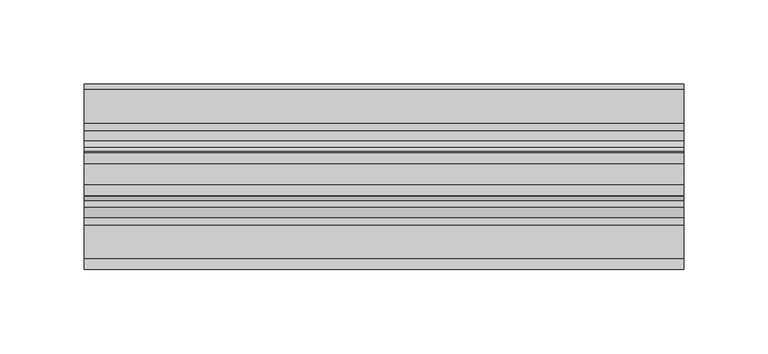
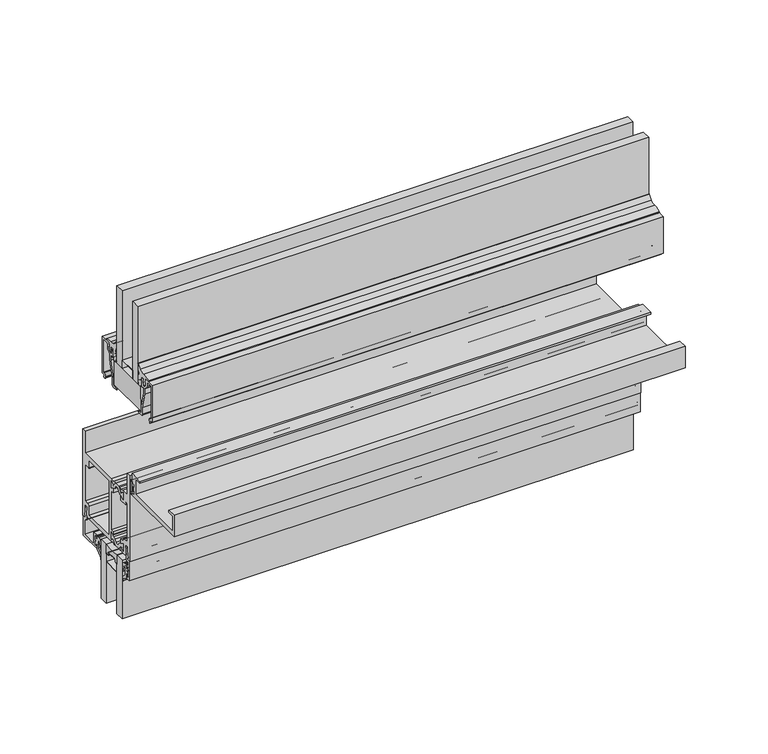
"""IFC4 building model written with IfcOpenShell, lengths in millimetres: plate geometry."""

from ifc_helpers import new_model, si_unit, point, frame, frame_2d, origin, place, context, project, spatial, polyline, circle_curve, trimmed, segment, composite_curve, outline, extrude, source, transform, mapped, element, save


def plate_2fd30b01(model_context):
    return source(origin(), model_context, "Body", "SweptSolid", [
        extrude(outline(composite_curve([segment(trimmed(circle_curve(frame_2d((-12.7, 252.348624)), 24.4943092), [point((-19.05, 228.6917289))], [point((-6.35, 228.6917289))], True, "CARTESIAN"), True, "CONTINUOUS"), segment(polyline([(-6.35, 228.6917289), (-6.35, 221.663957)]), True, "CONTINUOUS"), segment(trimmed(circle_curve(frame_2d((-7.14375, 221.663957)), 0.79375), [point((-6.35, 221.663957))], [point((-7.14375, 222.457707))], True, "CARTESIAN"), True, "CONTINUOUS"), segment(polyline([(-7.14375, 222.457707), (-8.3728775, 222.457707), (-8.3728775, 223.5556044)]), True, "CONTINUOUS"), segment(trimmed(circle_curve(frame_2d((-9.1666275, 223.5556044)), 0.79375), [point((-8.3728775, 223.5556044))], [point((-9.1666275, 224.3493544))], True, "CARTESIAN"), True, "CONTINUOUS"), segment(polyline([(-9.1666275, 224.3493544), (-16.2333725, 224.3493544)]), True, "CONTINUOUS"), segment(trimmed(circle_curve(frame_2d((-16.2333725, 223.5556044)), 0.79375), [point((-16.2333725, 224.3493544))], [point((-17.0271225, 223.5556044))], True, "CARTESIAN"), True, "CONTINUOUS"), segment(polyline([(-17.0271225, 223.5556044), (-17.0271225, 222.457707), (-18.25625, 222.457707)]), True, "CONTINUOUS"), segment(trimmed(circle_curve(frame_2d((-18.25625, 221.663957)), 0.79375), [point((-18.25625, 222.457707))], [point((-19.05, 221.663957))], True, "CARTESIAN"), True, "CONTINUOUS"), segment(polyline([(-19.05, 221.663957), (-19.05, 228.6917289)]), True, "CONTINUOUS")], self_intersect=False)), frame((-177.8, 0.0, 0.0), z_axis=(1.0, 0.0, 0.0), x_axis=(0.0, 1.0, 0.0)), (0.0, 0.0, 1.0), 355.6),
        extrude(outline(composite_curve([segment(trimmed(circle_curve(frame_2d((-23.1809622, 242.2374204)), 2.4892), [point((-24.4255622, 240.0817099))], [point((-23.5568194, 239.7767603))], True, "CARTESIAN"), True, "CONTINUOUS"), segment(trimmed(circle_curve(frame_2d((-23.9403472, 237.2658827)), 2.54), [point((-23.5568194, 239.7767603))], [point((-21.9860723, 238.8883529))], False, "CARTESIAN"), True, "CONTINUOUS"), segment(polyline([(-21.9860723, 238.8883529), (-20.6266866, 237.2509649)]), True, "CONTINUOUS"), segment(trimmed(circle_curve(frame_2d((-19.2977797, 238.3542447)), 1.7272), [point((-20.6266866, 237.2509649))], [point((-17.9688728, 237.2509649))], True, "CARTESIAN"), True, "CONTINUOUS"), segment(polyline([(-17.9688728, 237.2509649), (-16.6095134, 238.8883212)]), True, "CONTINUOUS"), segment(trimmed(circle_curve(frame_2d((-14.6552385, 237.2658509)), 2.54), [point((-16.6095134, 238.8883212))], [point((-15.0387663, 239.7767285))], False, "CARTESIAN"), True, "CONTINUOUS"), segment(trimmed(circle_curve(frame_2d((-15.4146236, 242.2373886)), 2.4892), [point((-15.0387663, 239.7767285))], [point((-14.1700236, 240.0816782))], True, "CARTESIAN"), True, "CONTINUOUS"), segment(polyline([(-14.1700236, 240.0816782), (-11.9953005, 241.3372551), (-11.9953005, 236.2412063), (-14.9359681, 237.8773974), (-17.566093, 234.7093966), (-21.029508, 234.7093966), (-23.6808354, 237.9029359), (-26.6003005, 235.8587044), (-26.6003005, 241.3372957), (-24.4255622, 240.0817099)]), True, "CONTINUOUS")], self_intersect=False)), frame((-177.8, 0.0, 0.0), z_axis=(1.0, 0.0, 0.0), x_axis=(0.0, 1.0, 0.0)), (0.0, 0.0, 1.0), 355.6),
        extrude(outline(composite_curve([segment(polyline([(-24.4255622, 275.1819988), (-26.6003005, 273.926413), (-26.6003005, 279.4050043), (-23.6808354, 277.3607728), (-21.029508, 280.5543121), (-17.566093, 280.5543121), (-14.9359681, 277.3863113), (-11.9953005, 279.0225024), (-11.9953005, 273.9264536), (-14.1700236, 275.1820305)]), True, "CONTINUOUS"), segment(trimmed(circle_curve(frame_2d((-15.4146236, 273.0263201)), 2.4892), [point((-14.1700236, 275.1820305))], [point((-15.0387663, 275.4869802))], True, "CARTESIAN"), True, "CONTINUOUS"), segment(trimmed(circle_curve(frame_2d((-14.6552385, 277.9978578)), 2.54), [point((-15.0387663, 275.4869802))], [point((-16.6095134, 276.3753875))], False, "CARTESIAN"), True, "CONTINUOUS"), segment(polyline([(-16.6095134, 276.3753875), (-17.9688728, 278.0127438)]), True, "CONTINUOUS"), segment(trimmed(circle_curve(frame_2d((-19.2977797, 276.909464)), 1.7272), [point((-17.9688728, 278.0127438))], [point((-20.6266866, 278.0127438))], True, "CARTESIAN"), True, "CONTINUOUS"), segment(polyline([(-20.6266866, 278.0127438), (-21.9860723, 276.3753558)]), True, "CONTINUOUS"), segment(trimmed(circle_curve(frame_2d((-23.9403472, 277.997826)), 2.54), [point((-21.9860723, 276.3753558))], [point((-23.5568194, 275.4869484))], False, "CARTESIAN"), True, "CONTINUOUS"), segment(trimmed(circle_curve(frame_2d((-23.1809622, 273.0262883)), 2.4892), [point((-23.5568194, 275.4869484))], [point((-24.4255622, 275.1819988))], True, "CARTESIAN"), True, "CONTINUOUS")], self_intersect=False)), frame((-177.8, 0.0, 0.0), z_axis=(1.0, 0.0, 0.0), x_axis=(0.0, 1.0, 0.0)), (0.0, 0.0, 1.0), 355.6),
        extrude(outline(polyline([(-15.7276799, 352.0722153), (-47.5894399, 352.0722153), (-47.4776799, 369.5347153), (-15.7276799, 369.5347153), (-15.7276799, 352.0722153)])), frame((-177.8, 0.0, 0.0), z_axis=(1.0, 0.0, 0.0), x_axis=(0.0, 1.0, 0.0)), (0.0, 0.0, 1.0), 355.6),
        extrude(outline(composite_curve([segment(polyline([(-34.9514484, 293.1066499), (-34.9514484, 285.1817967)]), True, "CONTINUOUS"), segment(trimmed(circle_curve(frame_2d((-36.1452484, 285.1817967)), 1.1938), [point((-34.9514484, 285.1817967))], [point((-37.3390484, 285.1817967))], False, "CARTESIAN"), True, "CONTINUOUS"), segment(polyline([(-37.3390484, 285.1817967), (-37.3390484, 287.1879153), (-38.31675, 287.1879153), (-38.31675, 285.7147153), (-39.2186484, 285.7147153), (-39.2186484, 287.5689153), (-37.7962484, 287.5689153), (-37.7962484, 290.7185153), (-39.2186484, 290.7185153), (-39.2186484, 292.5727153), (-38.31675, 292.5727153), (-38.31675, 291.0995153), (-37.3390484, 291.0995153), (-37.3390484, 293.1066499)]), True, "CONTINUOUS"), segment(trimmed(circle_curve(frame_2d((-36.1452484, 293.1066499)), 1.1938), [point((-37.3390484, 293.1066499))], [point((-34.9514484, 293.1066499))], False, "CARTESIAN"), True, "CONTINUOUS")], self_intersect=False), holes=[composite_curve([segment(trimmed(circle_curve(frame_2d((-36.1452484, 293.1066499)), 0.6858), [point((-35.4594484, 293.1066499))], [point((-36.8310484, 293.1066499))], True, "CARTESIAN"), True, "CONTINUOUS"), segment(polyline([(-36.8310484, 293.1066499), (-36.8310484, 285.1817967)]), True, "CONTINUOUS"), segment(trimmed(circle_curve(frame_2d((-36.1452484, 285.1817967)), 0.6858), [point((-36.8310484, 285.1817967))], [point((-35.4594484, 285.1817967))], True, "CARTESIAN"), True, "CONTINUOUS"), segment(polyline([(-35.4594484, 285.1817967), (-35.4594484, 293.1066499)]), True, "CONTINUOUS")], self_intersect=False)]), frame((-177.8, 0.0, 0.0), z_axis=(1.0, 0.0, 0.0), x_axis=(0.0, 1.0, 0.0)), (0.0, 0.0, 1.0), 355.6),
        extrude(outline(polyline([(-37.9526799, 375.8847153), (-25.2526799, 375.8847153), (-25.2526799, 369.5347153), (-37.9526799, 369.5347153), (-37.9526799, 375.8847153)]), holes=[polyline([(-37.7314801, 375.6717755), (-37.7314801, 369.6999055), (-25.4526847, 369.6999055), (-25.4526847, 375.6717755), (-37.7314801, 375.6717755)])]), frame((-177.8, 0.0, 0.0), z_axis=(1.0, 0.0, 0.0), x_axis=(0.0, 1.0, 0.0)), (0.0, 0.0, 1.0), 355.6),
        extrude(outline(polyline([(-177.8, -25.2526799), (-177.8, -18.9026799), (177.8, -18.9026799), (177.8, -25.2526799), (-177.8, -25.2526799)])), frame((0.0, 0.0, 369.5347153), z_axis=(0.0, 0.0, 1.0), x_axis=(1.0, 0.0, 0.0)), (0.0, 0.0, 1.0), 57.15),
        extrude(outline(polyline([(-177.8, -44.3026799), (-177.8, -37.9526799), (177.8, -37.9526799), (177.8, -44.3026799), (-177.8, -44.3026799)])), frame((0.0, 0.0, 369.5347153), z_axis=(0.0, 0.0, 1.0), x_axis=(1.0, 0.0, 0.0)), (0.0, 0.0, 1.0), 57.15),
        extrude(outline(composite_curve([segment(trimmed(circle_curve(frame_2d((-13.6651999, 376.8225309)), 0.508), [point((-14.1731999, 376.8225309))], [point((-13.6651999, 377.3305309))], False, "CARTESIAN"), True, "CONTINUOUS"), segment(polyline([(-13.6651999, 377.3305309), (-12.4205999, 377.3305309), (-12.4205999, 376.5177309), (-13.2068092, 376.5177309), (-13.2068092, 375.7170136), (-12.4992779, 372.4938153), (-11.0235999, 372.4938153), (-9.1439999, 374.3663756), (-9.1439999, 376.4562153), (-10.0569374, 376.4562153), (-9.1417677, 379.0597153), (-1.4731999, 379.0597153), (-1.4731999, 352.0737406), (-3.9823329, 352.0737406), (-3.1851555, 350.6967979), (-3.8661393, 350.0158142)]), True, "CONTINUOUS"), segment(trimmed(circle_curve(frame_2d((-4.2232428, 350.3771189)), 0.508), [point((-3.8661393, 350.0158142))], [point((-4.7005125, 350.2031143))], False, "CARTESIAN"), True, "CONTINUOUS"), segment(polyline([(-4.7005125, 350.2031143), (-5.136331, 351.3985022)]), True, "CONTINUOUS"), segment(trimmed(circle_curve(frame_2d((-3.7761123, 351.8944153)), 1.4478), [point((-5.136331, 351.3985022))], [point((-3.7761123, 353.3422153))], False, "CARTESIAN"), True, "CONTINUOUS"), segment(polyline([(-3.7761123, 353.3422153), (-2.7431999, 353.3422153), (-2.7431999, 377.7897153), (-7.2389999, 377.7897153)]), True, "CONTINUOUS"), segment(trimmed(circle_curve(frame_2d((-7.2389999, 377.1547153)), 0.635), [point((-7.2389999, 377.7897153))], [point((-7.8739999, 377.1547153))], True, "CARTESIAN"), True, "CONTINUOUS"), segment(polyline([(-7.8739999, 377.1547153), (-7.8739999, 374.6354421)]), True, "CONTINUOUS"), segment(trimmed(circle_curve(frame_2d((-9.7789999, 374.6354421)), 1.905), [point((-7.8739999, 374.6354421))], [point((-8.4319614, 373.2884037))], False, "CARTESIAN"), True, "CONTINUOUS"), segment(polyline([(-8.4319614, 373.2884037), (-10.3632634, 371.3571018), (-10.3632634, 367.2949535), (-13.5573134, 355.5538035), (-13.5573134, 350.8784153)]), True, "CONTINUOUS"), segment(trimmed(circle_curve(frame_2d((-14.8273134, 350.8784153)), 1.27), [point((-13.5573134, 350.8784153))], [point((-14.8273134, 349.6084153))], False, "CARTESIAN"), True, "CONTINUOUS"), segment(polyline([(-14.8273134, 349.6084153), (-17.9959634, 349.6084153)]), True, "CONTINUOUS"), segment(trimmed(circle_curve(frame_2d((-17.9959634, 349.9894153)), 0.381), [point((-17.9959634, 349.6084153))], [point((-18.1152217, 350.3512695))], False, "CARTESIAN"), True, "CONTINUOUS"), segment(polyline([(-18.1152217, 350.3512695), (-14.8273134, 351.2340153), (-14.8273134, 355.7234653), (-11.6332634, 367.4646153), (-11.6332634, 371.4754927), (-13.2079999, 371.4754927), (-13.2079999, 370.6650153)]), True, "CONTINUOUS"), segment(trimmed(circle_curve(frame_2d((-13.2079999, 371.6302153)), 0.9652), [point((-13.2079999, 370.6650153))], [point((-14.1731999, 371.6302153))], False, "CARTESIAN"), True, "CONTINUOUS"), segment(polyline([(-14.1731999, 371.6302153), (-14.1731999, 376.8225309)]), True, "CONTINUOUS")], self_intersect=False)), frame((-177.8, 0.0, 0.0), z_axis=(1.0, 0.0, 0.0), x_axis=(0.0, 1.0, 0.0)), (0.0, 0.0, 1.0), 355.6),
        extrude(outline(composite_curve([segment(polyline([(-49.0321599, 376.8225309), (-49.0321599, 371.6302153)]), True, "CONTINUOUS"), segment(trimmed(circle_curve(frame_2d((-49.9973599, 371.6302153)), 0.9652), [point((-49.0321599, 371.6302153))], [point((-49.9973599, 370.6650153))], False, "CARTESIAN"), True, "CONTINUOUS"), segment(polyline([(-49.9973599, 370.6650153), (-49.9973599, 371.4754927), (-51.5720964, 371.4754927), (-51.5720964, 367.4646153), (-48.3780464, 355.7234653), (-48.3780464, 351.2340153), (-45.090138, 350.3512695)]), True, "CONTINUOUS"), segment(trimmed(circle_curve(frame_2d((-45.2093964, 349.9894153)), 0.381), [point((-45.090138, 350.3512695))], [point((-45.2093964, 349.6084153))], False, "CARTESIAN"), True, "CONTINUOUS"), segment(polyline([(-45.2093964, 349.6084153), (-48.3780464, 349.6084153)]), True, "CONTINUOUS"), segment(trimmed(circle_curve(frame_2d((-48.3780464, 350.8784153)), 1.27), [point((-48.3780464, 349.6084153))], [point((-49.6480464, 350.8784153))], False, "CARTESIAN"), True, "CONTINUOUS"), segment(polyline([(-49.6480464, 350.8784153), (-49.6480464, 355.5538035), (-52.8420964, 367.2949535), (-52.8420964, 371.3571018), (-54.7733983, 373.2884037)]), True, "CONTINUOUS"), segment(trimmed(circle_curve(frame_2d((-53.4263599, 374.6354421)), 1.905), [point((-54.7733983, 373.2884037))], [point((-55.3313599, 374.6354421))], False, "CARTESIAN"), True, "CONTINUOUS"), segment(polyline([(-55.3313599, 374.6354421), (-55.3313599, 377.1547153)]), True, "CONTINUOUS"), segment(trimmed(circle_curve(frame_2d((-55.9663599, 377.1547153)), 0.635), [point((-55.3313599, 377.1547153))], [point((-55.9663599, 377.7897153))], True, "CARTESIAN"), True, "CONTINUOUS"), segment(polyline([(-55.9663599, 377.7897153), (-60.4621599, 377.7897153), (-60.4621599, 353.3422153), (-59.4292474, 353.3422153)]), True, "CONTINUOUS"), segment(trimmed(circle_curve(frame_2d((-59.4292474, 351.8944153)), 1.4478), [point((-59.4292474, 353.3422153))], [point((-58.0690287, 351.3985022))], False, "CARTESIAN"), True, "CONTINUOUS"), segment(polyline([(-58.0690287, 351.3985022), (-58.5048472, 350.2031143)]), True, "CONTINUOUS"), segment(trimmed(circle_curve(frame_2d((-58.982117, 350.3771189)), 0.508), [point((-58.5048472, 350.2031143))], [point((-59.3392204, 350.0158142))], False, "CARTESIAN"), True, "CONTINUOUS"), segment(polyline([(-59.3392204, 350.0158142), (-60.0202042, 350.6967979), (-59.2230268, 352.0737406), (-61.7321599, 352.0737406), (-61.7321599, 379.0597153), (-54.063592, 379.0597153), (-53.1484223, 376.4562153), (-54.0613599, 376.4562153), (-54.0613599, 374.3663756), (-52.1817599, 372.4938153), (-50.7060818, 372.4938153), (-49.9985505, 375.7170136), (-49.9985505, 376.5177309), (-50.7847599, 376.5177309), (-50.7847599, 377.3305309), (-49.5401599, 377.3305309)]), True, "CONTINUOUS"), segment(trimmed(circle_curve(frame_2d((-49.5401599, 376.8225309)), 0.508), [point((-49.5401599, 377.3305309))], [point((-49.0321599, 376.8225309))], False, "CARTESIAN"), True, "CONTINUOUS")], self_intersect=False)), frame((-177.8, 0.0, 0.0), z_axis=(1.0, 0.0, 0.0), x_axis=(0.0, 1.0, 0.0)), (0.0, 0.0, 1.0), 355.6),
        extrude(outline(composite_curve([segment(trimmed(circle_curve(frame_2d((-28.4481661, 374.5867579)), 11.8511576), [point((-16.8958445, 377.2313378))], [point((-17.4519801, 379.0064672))], True, "CARTESIAN"), True, "CONTINUOUS"), segment(polyline([(-17.4519801, 379.0064672), (-18.4299611, 380.528582)]), True, "CONTINUOUS"), segment(trimmed(circle_curve(frame_2d((-16.8225569, 381.7608857)), 2.0254186), [point((-18.4299611, 380.528582))], [point((-18.8453216, 381.6572349))], False, "CARTESIAN"), True, "CONTINUOUS"), segment(polyline([(-18.8453216, 381.6572349), (-18.8854469, 384.9398531)]), True, "CONTINUOUS"), segment(trimmed(circle_curve(frame_2d((-18.4885719, 384.9398531)), 0.396875), [point((-18.8854469, 384.9398531))], [point((-18.2267159, 385.2380832))], False, "CARTESIAN"), True, "CONTINUOUS"), segment(polyline([(-18.2267159, 385.2380832), (-15.799611, 382.4201915)]), True, "CONTINUOUS"), segment(trimmed(circle_curve(frame_2d((-12.5240284, 385.8820309)), 4.765897), [point((-15.799611, 382.4201915))], [point((-11.8985378, 381.1573579))], True, "CARTESIAN"), True, "CONTINUOUS"), segment(trimmed(circle_curve(frame_2d((-11.5246073, 368.9668204)), 12.196271), [point((-11.8985378, 381.1573579))], [point((-6.0059562, 379.8431028))], False, "CARTESIAN"), True, "CONTINUOUS"), segment(polyline([(-6.0059562, 379.8431028), (-5.7496564, 379.0554604), (-7.6687501, 379.1311821), (-9.2931528, 379.0012681), (-10.1545373, 376.2948547), (-9.3686823, 376.1701754), (-10.2392565, 375.1755258), (-9.4887146, 374.9366468), (-10.9893863, 373.1755062), (-12.6224939, 374.6122187), (-11.8406254, 375.1533533), (-12.6690337, 376.0998275), (-11.6936669, 376.2217125), (-12.2509631, 377.5835919), (-14.1139708, 377.5835919), (-14.1139708, 375.1527405)]), True, "CONTINUOUS"), segment(trimmed(circle_curve(frame_2d((-31.5769474, 376.4603355)), 17.5118633), [point((-14.1139708, 375.1527405))], [point((-15.1612753, 370.3618876))], False, "CARTESIAN"), True, "CONTINUOUS"), segment(trimmed(circle_curve(frame_2d((-16.4644062, 370.8573418)), 1.3941395), [point((-15.1612753, 370.3618876))], [point((-17.7675371, 370.3618876))], False, "CARTESIAN"), True, "CONTINUOUS"), segment(trimmed(circle_curve(frame_2d((0.2712904, 376.9366907)), 19.1996701), [point((-17.7675371, 370.3618876))], [point((-18.8453216, 375.1527405))], False, "CARTESIAN"), True, "CONTINUOUS"), segment(polyline([(-18.8453216, 375.1527405), (-18.8453216, 378.5625793)]), True, "CONTINUOUS"), segment(trimmed(circle_curve(frame_2d((-18.5228363, 378.5509624)), 0.3226944), [point((-18.8453216, 378.5625793))], [point((-18.2140666, 378.4571917))], False, "CARTESIAN"), True, "CONTINUOUS"), segment(polyline([(-18.2140666, 378.4571917), (-17.1362265, 374.4176171)]), True, "CONTINUOUS"), segment(trimmed(circle_curve(frame_2d((-16.8421637, 374.5499125)), 0.3224516), [point((-17.1362265, 374.4176171))], [point((-16.5228912, 374.5950802))], True, "CARTESIAN"), True, "CONTINUOUS"), segment(polyline([(-16.5228912, 374.5950802), (-16.8958445, 377.2313378)]), True, "CONTINUOUS")], self_intersect=False)), frame((-177.8, 0.0, 0.0), z_axis=(1.0, 0.0, 0.0), x_axis=(0.0, 1.0, 0.0)), (0.0, 0.0, 1.0), 355.6),
        extrude(outline(composite_curve([segment(polyline([(-46.2824971, 377.2313378), (-46.6554504, 374.5950802)]), True, "CONTINUOUS"), segment(trimmed(circle_curve(frame_2d((-46.3361779, 374.5499125)), 0.3224516), [point((-46.6554504, 374.5950802))], [point((-46.042115, 374.4176171))], True, "CARTESIAN"), True, "CONTINUOUS"), segment(polyline([(-46.042115, 374.4176171), (-44.964275, 378.4571917)]), True, "CONTINUOUS"), segment(trimmed(circle_curve(frame_2d((-44.6555052, 378.5509624)), 0.3226944), [point((-44.964275, 378.4571917))], [point((-44.33302, 378.5625793))], False, "CARTESIAN"), True, "CONTINUOUS"), segment(polyline([(-44.33302, 378.5625793), (-44.33302, 375.1527405)]), True, "CONTINUOUS"), segment(trimmed(circle_curve(frame_2d((-63.4496319, 376.9366907)), 19.1996701), [point((-44.33302, 375.1527405))], [point((-45.4108045, 370.3618876))], False, "CARTESIAN"), True, "CONTINUOUS"), segment(trimmed(circle_curve(frame_2d((-46.7139354, 370.8573418)), 1.3941395), [point((-45.4108045, 370.3618876))], [point((-48.0170662, 370.3618876))], False, "CARTESIAN"), True, "CONTINUOUS"), segment(trimmed(circle_curve(frame_2d((-31.6013942, 376.4603355)), 17.5118633), [point((-48.0170662, 370.3618876))], [point((-49.0643708, 375.1527405))], False, "CARTESIAN"), True, "CONTINUOUS"), segment(polyline([(-49.0643708, 375.1527405), (-49.0643708, 377.5835919), (-50.9273784, 377.5835919), (-51.4846746, 376.2217125), (-50.5093079, 376.0998275), (-51.3377162, 375.1533533), (-50.5558476, 374.6122187), (-52.1889552, 373.1755062), (-53.689627, 374.9366468), (-52.939085, 375.1755258), (-53.8096592, 376.1701754), (-53.0238043, 376.2948547), (-53.8851888, 379.0012681), (-55.5095914, 379.1311821), (-57.4286851, 379.0554604), (-57.1723854, 379.8431028)]), True, "CONTINUOUS"), segment(trimmed(circle_curve(frame_2d((-51.6537343, 368.9668204)), 12.196271), [point((-57.1723854, 379.8431028))], [point((-51.2798038, 381.1573579))], False, "CARTESIAN"), True, "CONTINUOUS"), segment(trimmed(circle_curve(frame_2d((-50.6543132, 385.8820309)), 4.765897), [point((-51.2798038, 381.1573579))], [point((-47.3787305, 382.4201915))], True, "CARTESIAN"), True, "CONTINUOUS"), segment(polyline([(-47.3787305, 382.4201915), (-44.9516257, 385.2380832)]), True, "CONTINUOUS"), segment(trimmed(circle_curve(frame_2d((-44.6897696, 384.9398531)), 0.396875), [point((-44.9516257, 385.2380832))], [point((-44.2928946, 384.9398531))], False, "CARTESIAN"), True, "CONTINUOUS"), segment(polyline([(-44.2928946, 384.9398531), (-44.33302, 381.6572349)]), True, "CONTINUOUS"), segment(trimmed(circle_curve(frame_2d((-46.3557847, 381.7608857)), 2.0254186), [point((-44.33302, 381.6572349))], [point((-44.7483805, 380.528582))], False, "CARTESIAN"), True, "CONTINUOUS"), segment(polyline([(-44.7483805, 380.528582), (-45.7263615, 379.0064672)]), True, "CONTINUOUS"), segment(trimmed(circle_curve(frame_2d((-34.7301755, 374.5867579)), 11.8511576), [point((-45.7263615, 379.0064672))], [point((-46.2824971, 377.2313378))], True, "CARTESIAN"), True, "CONTINUOUS")], self_intersect=False)), frame((-177.8, 0.0, 0.0), z_axis=(1.0, 0.0, 0.0), x_axis=(0.0, 1.0, 0.0)), (0.0, 0.0, 1.0), 355.6),
        extrude(outline(polyline([(-15.7276799, 369.5347153), (-15.7276799, 352.0722153), (-47.5894399, 352.0722153), (-47.4776799, 369.5347153), (-15.7276799, 369.5347153)])), frame((-177.8, 0.0, 0.0), z_axis=(1.0, 0.0, 0.0), x_axis=(0.0, 1.0, 0.0)), (0.0, 0.0, 1.0), 355.6),
        extrude(outline(polyline([(-177.8, -6.35), (-177.8, 0.0), (177.8, 0.0), (177.8, -6.35), (-177.8, -6.35)])), frame((0.0, 0.0, 185.3847153), z_axis=(0.0, 0.0, 1.0), x_axis=(1.0, 0.0, 0.0)), (0.0, 0.0, 1.0), 43.3070136),
        extrude(outline(polyline([(-177.8, -25.4), (-177.8, -19.05), (177.8, -19.05), (177.8, -25.4), (-177.8, -25.4)])), frame((0.0, 0.0, 185.3847153), z_axis=(0.0, 0.0, 1.0), x_axis=(1.0, 0.0, 0.0)), (0.0, 0.0, 1.0), 43.3070136),
        extrude(outline(composite_curve([segment(polyline([(1.2146236, 217.7547881), (3.6195019, 220.0298082), (3.6195019, 223.3964394)]), True, "CONTINUOUS"), segment(trimmed(circle_curve(frame_2d((3.9370017, 223.7514153)), 0.47625), [point((3.6195019, 223.3964394))], [point((3.619501, 224.1063905))], True, "CARTESIAN"), True, "CONTINUOUS"), segment(polyline([(3.619501, 224.1063905), (3.619501, 225.6894264)]), True, "CONTINUOUS"), segment(trimmed(circle_curve(frame_2d((3.1116463, 224.2840488)), 1.4943235), [point((3.619501, 225.6894264))], [point((1.6174209, 224.301171))], True, "CARTESIAN"), True, "CONTINUOUS"), segment(polyline([(1.6174209, 224.301171), (0.5798898, 220.9663861)]), True, "CONTINUOUS"), segment(trimmed(circle_curve(frame_2d((0.2963183, 221.0546119)), 0.2969791), [point((0.5798898, 220.9663861))], [point((0.0, 221.0348119))], False, "CARTESIAN"), True, "CONTINUOUS"), segment(polyline([(0.0, 221.0348119), (0.0, 225.0824819)]), True, "CONTINUOUS"), segment(trimmed(circle_curve(frame_2d((2.8819649, 225.2349635)), 2.8859959), [point((0.0, 225.0824819))], [point((2.7993723, 228.1197774))], False, "CARTESIAN"), True, "CONTINUOUS"), segment(polyline([(2.7993723, 228.1197774), (3.619501, 228.1432578), (4.7625003, 228.1432578), (4.7625003, 225.2246164), (6.1341013, 225.2246164), (6.1341013, 226.5374454)]), True, "CONTINUOUS"), segment(trimmed(circle_curve(frame_2d((6.4896997, 226.8248149)), 0.4571996), [point((6.1341013, 226.5374454))], [point((6.9468994, 226.8248149))], False, "CARTESIAN"), True, "CONTINUOUS"), segment(polyline([(6.9468994, 226.8248149), (6.9468994, 224.7570221)]), True, "CONTINUOUS"), segment(trimmed(circle_curve(frame_2d((6.4706494, 224.7065795)), 0.4789139), [point((6.9468994, 224.7570221))], [point((6.4706494, 224.2276656))], False, "CARTESIAN"), True, "CONTINUOUS"), segment(trimmed(circle_curve(frame_2d((6.4706494, 223.7514156)), 0.47625), [point((6.4706494, 224.2276656))], [point((6.4706494, 223.2751656))], True, "CARTESIAN"), True, "CONTINUOUS"), segment(trimmed(circle_curve(frame_2d((6.3248962, 222.6704806)), 0.6220032), [point((6.4706494, 223.2751656))], [point((6.9468994, 222.6704806))], False, "CARTESIAN"), True, "CONTINUOUS"), segment(polyline([(6.9468994, 222.6704806), (6.9468994, 220.6780162)]), True, "CONTINUOUS"), segment(trimmed(circle_curve(frame_2d((6.4896997, 220.6780162)), 0.4571996), [point((6.9468994, 220.6780162))], [point((6.134102, 220.9653866))], False, "CARTESIAN"), True, "CONTINUOUS"), segment(polyline([(6.134102, 220.9653866), (6.134102, 222.2782299), (4.7625003, 222.2782299), (4.7625003, 218.4065425), (1.4889495, 215.9053304)]), True, "CONTINUOUS"), segment(trimmed(circle_curve(frame_2d((3.0879023, 213.93243)), 2.5394854), [point((1.4889495, 215.9053304))], [point((0.5496136, 213.8544755))], True, "CARTESIAN"), True, "CONTINUOUS"), segment(trimmed(circle_curve(frame_2d((0.2748716, 213.8460377)), 0.2748716), [point((0.5496136, 213.8544755))], [point((0.0, 213.8460377))], False, "CARTESIAN"), True, "CONTINUOUS"), segment(polyline([(0.0, 213.8460377), (0.0, 215.5592614)]), True, "CONTINUOUS"), segment(trimmed(circle_curve(frame_2d((3.0412561, 215.3105023)), 3.0514128), [point((0.0, 215.5592614))], [point((1.2146236, 217.7547881))], False, "CARTESIAN"), True, "CONTINUOUS")], self_intersect=False)), frame((-177.8, 0.0, 0.0), z_axis=(1.0, 0.0, 0.0), x_axis=(0.0, 1.0, 0.0)), (0.0, 0.0, 1.0), 355.6),
        extrude(outline(composite_curve([segment(trimmed(circle_curve(frame_2d((-28.4412561, 215.3105023)), 3.0514128), [point((-26.6146236, 217.7547881))], [point((-25.4, 215.5592614))], False, "CARTESIAN"), True, "CONTINUOUS"), segment(polyline([(-25.4, 215.5592614), (-25.4, 213.8460377)]), True, "CONTINUOUS"), segment(trimmed(circle_curve(frame_2d((-25.6748716, 213.8460377)), 0.2748716), [point((-25.4, 213.8460377))], [point((-25.9496136, 213.8544755))], False, "CARTESIAN"), True, "CONTINUOUS"), segment(trimmed(circle_curve(frame_2d((-28.4879023, 213.93243)), 2.5394854), [point((-25.9496136, 213.8544755))], [point((-26.8889495, 215.9053304))], True, "CARTESIAN"), True, "CONTINUOUS"), segment(polyline([(-26.8889495, 215.9053304), (-30.1625003, 218.4065425), (-30.1625003, 222.2782299), (-31.534102, 222.2782299), (-31.534102, 220.9653866)]), True, "CONTINUOUS"), segment(trimmed(circle_curve(frame_2d((-31.8896997, 220.6780162)), 0.4571996), [point((-31.534102, 220.9653866))], [point((-32.3468994, 220.6780162))], False, "CARTESIAN"), True, "CONTINUOUS"), segment(polyline([(-32.3468994, 220.6780162), (-32.3468994, 222.6704806)]), True, "CONTINUOUS"), segment(trimmed(circle_curve(frame_2d((-31.7248962, 222.6704806)), 0.6220032), [point((-32.3468994, 222.6704806))], [point((-31.8706494, 223.2751656))], False, "CARTESIAN"), True, "CONTINUOUS"), segment(trimmed(circle_curve(frame_2d((-31.8706494, 223.7514156)), 0.47625), [point((-31.8706494, 223.2751656))], [point((-31.8706494, 224.2276656))], True, "CARTESIAN"), True, "CONTINUOUS"), segment(trimmed(circle_curve(frame_2d((-31.8706494, 224.7065795)), 0.4789139), [point((-31.8706494, 224.2276656))], [point((-32.3468994, 224.7570221))], False, "CARTESIAN"), True, "CONTINUOUS"), segment(polyline([(-32.3468994, 224.7570221), (-32.3468994, 226.8248149)]), True, "CONTINUOUS"), segment(trimmed(circle_curve(frame_2d((-31.8896997, 226.8248149)), 0.4571996), [point((-32.3468994, 226.8248149))], [point((-31.5341013, 226.5374454))], False, "CARTESIAN"), True, "CONTINUOUS"), segment(polyline([(-31.5341013, 226.5374454), (-31.5341013, 225.2246164), (-30.1625, 225.2246164), (-30.1625, 228.1432578), (-29.019501, 228.1432578), (-28.1993723, 228.1197774)]), True, "CONTINUOUS"), segment(trimmed(circle_curve(frame_2d((-28.2819649, 225.2349635)), 2.8859959), [point((-28.1993723, 228.1197774))], [point((-25.4, 225.0824819))], False, "CARTESIAN"), True, "CONTINUOUS"), segment(polyline([(-25.4, 225.0824819), (-25.4, 221.0348119)]), True, "CONTINUOUS"), segment(trimmed(circle_curve(frame_2d((-25.6963183, 221.0546119)), 0.2969791), [point((-25.4, 221.0348119))], [point((-25.9798898, 220.9663861))], False, "CARTESIAN"), True, "CONTINUOUS"), segment(polyline([(-25.9798898, 220.9663861), (-27.0174209, 224.301171)]), True, "CONTINUOUS"), segment(trimmed(circle_curve(frame_2d((-28.5116463, 224.2840488)), 1.4943235), [point((-27.0174209, 224.301171))], [point((-29.019501, 225.6894264))], True, "CARTESIAN"), True, "CONTINUOUS"), segment(polyline([(-29.019501, 225.6894264), (-29.019501, 224.1063905)]), True, "CONTINUOUS"), segment(trimmed(circle_curve(frame_2d((-29.3370017, 223.7514153)), 0.47625), [point((-29.019501, 224.1063905))], [point((-29.0195019, 223.3964394))], True, "CARTESIAN"), True, "CONTINUOUS"), segment(polyline([(-29.0195019, 223.3964394), (-29.0195019, 220.0298082), (-26.6146236, 217.7547881)]), True, "CONTINUOUS")], self_intersect=False)), frame((-177.8, 0.0, 0.0), z_axis=(1.0, 0.0, 0.0), x_axis=(0.0, 1.0, 0.0)), (0.0, 0.0, 1.0), 355.6),
        extrude(outline(composite_curve([segment(trimmed(circle_curve(frame_2d((19.0500001, 234.7414348)), 1.4732), [point((17.5768001, 234.7414348))], [point((18.2080195, 235.9503131))], False, "CARTESIAN"), True, "CONTINUOUS"), segment(polyline([(18.2080195, 235.9503131), (17.0960031, 242.0744148), (18.4105948, 242.0744148), (19.7607074, 234.6405968), (18.9879884, 234.7500377), (18.9879884, 233.0353133), (21.4376001, 232.9050148), (21.4376001, 218.6302148), (4.9022001, 218.6302148), (4.7752001, 220.6622148)]), True, "CONTINUOUS"), segment(trimmed(circle_curve(frame_2d((5.5881395, 220.6621578)), 0.8129393), [point((4.7752001, 220.6622148))], [point((5.7899301, 221.4496544))], False, "CARTESIAN"), True, "CONTINUOUS"), segment(polyline([(5.7899301, 221.4496544), (5.7899301, 219.9002148), (7.1628001, 219.9002148), (7.1628001, 227.3932148), (5.7899301, 227.3932148), (5.7899301, 225.8437751)]), True, "CONTINUOUS"), segment(trimmed(circle_curve(frame_2d((5.5881398, 226.6312721)), 0.8129397), [point((5.7899301, 225.8437751))], [point((4.7752001, 226.6312721))], False, "CARTESIAN"), True, "CONTINUOUS"), segment(polyline([(4.7752001, 226.6312721), (4.7752001, 228.6632148), (8.7376001, 228.6632148), (8.7376001, 220.1034148), (19.9644001, 220.1034148), (19.9644001, 231.5588148), (19.0500001, 231.5588148)]), True, "CONTINUOUS"), segment(trimmed(circle_curve(frame_2d((19.0500001, 233.0320148)), 1.4732), [point((19.0500001, 231.5588148))], [point((17.5768001, 233.0320148))], False, "CARTESIAN"), True, "CONTINUOUS"), segment(polyline([(17.5768001, 233.0320148), (17.5768001, 234.7414348)]), True, "CONTINUOUS")], self_intersect=False)), frame((-177.8, 0.0, 0.0), z_axis=(1.0, 0.0, 0.0), x_axis=(0.0, 1.0, 0.0)), (0.0, 0.0, 1.0), 355.6),
        extrude(outline(composite_curve([segment(polyline([(-8.3728775, 223.5556044), (-8.3728775, 222.457707), (-7.14375, 222.457707)]), True, "CONTINUOUS"), segment(trimmed(circle_curve(frame_2d((-7.14375, 221.663957)), 0.79375), [point((-7.14375, 222.457707))], [point((-6.35, 221.663957))], False, "CARTESIAN"), True, "CONTINUOUS"), segment(polyline([(-6.35, 221.663957), (-6.35, 216.7854789)]), True, "CONTINUOUS"), segment(trimmed(circle_curve(frame_2d((-7.14375, 216.7854789)), 0.79375), [point((-6.35, 216.7854789))], [point((-7.14375, 215.9917289))], False, "CARTESIAN"), True, "CONTINUOUS"), segment(polyline([(-7.14375, 215.9917289), (-18.25625, 215.9917289)]), True, "CONTINUOUS"), segment(trimmed(circle_curve(frame_2d((-18.25625, 216.7854789)), 0.79375), [point((-18.25625, 215.9917289))], [point((-19.05, 216.7854789))], False, "CARTESIAN"), True, "CONTINUOUS"), segment(polyline([(-19.05, 216.7854789), (-19.05, 221.663957)]), True, "CONTINUOUS"), segment(trimmed(circle_curve(frame_2d((-18.25625, 221.663957)), 0.79375), [point((-19.05, 221.663957))], [point((-18.25625, 222.457707))], False, "CARTESIAN"), True, "CONTINUOUS"), segment(polyline([(-18.25625, 222.457707), (-17.0271225, 222.457707), (-17.0271225, 223.5556044)]), True, "CONTINUOUS"), segment(trimmed(circle_curve(frame_2d((-16.2333725, 223.5556044)), 0.79375), [point((-17.0271225, 223.5556044))], [point((-16.2333725, 224.3493544))], False, "CARTESIAN"), True, "CONTINUOUS"), segment(polyline([(-16.2333725, 224.3493544), (-9.1666275, 224.3493544)]), True, "CONTINUOUS"), segment(trimmed(circle_curve(frame_2d((-9.1666275, 223.5556044)), 0.79375), [point((-9.1666275, 224.3493544))], [point((-8.3728775, 223.5556044))], False, "CARTESIAN"), True, "CONTINUOUS")], self_intersect=False), holes=[composite_curve([segment(polyline([(-16.5191225, 223.8413544), (-16.5191225, 222.743457)]), True, "CONTINUOUS"), segment(trimmed(circle_curve(frame_2d((-17.3128725, 222.743457)), 0.79375), [point((-16.5191225, 222.743457))], [point((-17.3128725, 221.949707))], False, "CARTESIAN"), True, "CONTINUOUS"), segment(polyline([(-17.3128725, 221.949707), (-18.542, 221.949707), (-18.542, 216.4997289), (-6.858, 216.4997289), (-6.858, 221.949707), (-8.0871275, 221.949707)]), True, "CONTINUOUS"), segment(trimmed(circle_curve(frame_2d((-8.0871275, 222.743457)), 0.79375), [point((-8.0871275, 221.949707))], [point((-8.8808775, 222.743457))], False, "CARTESIAN"), True, "CONTINUOUS"), segment(polyline([(-8.8808775, 222.743457), (-8.8808775, 223.8413544), (-16.5191225, 223.8413544)]), True, "CONTINUOUS")], self_intersect=False)]), frame((-177.8, 0.0, 0.0), z_axis=(1.0, 0.0, 0.0), x_axis=(0.0, 1.0, 0.0)), (0.0, 0.0, 1.0), 355.6),
        extrude(outline(composite_curve([segment(polyline([(-34.1276564, 218.7349153), (-34.0673249, 232.9997986), (-31.6471876, 232.9997986), (-31.6471876, 234.631996), (-32.4372227, 234.5209638), (-31.0981976, 241.9539199), (-29.8175355, 241.8307794), (-30.9128526, 235.7506519)]), True, "CONTINUOUS"), segment(trimmed(circle_curve(frame_2d((-31.7464064, 234.5359477)), 1.4732), [point((-30.9128526, 235.7506519))], [point((-30.2732064, 234.5359477))], False, "CARTESIAN"), True, "CONTINUOUS"), segment(polyline([(-30.2732064, 234.5359477), (-30.2732064, 233.0224153)]), True, "CONTINUOUS"), segment(trimmed(circle_curve(frame_2d((-31.7464064, 233.0224153)), 1.4732), [point((-30.2732064, 233.0224153))], [point((-31.7464064, 231.5492153))], False, "CARTESIAN"), True, "CONTINUOUS"), segment(polyline([(-31.7464064, 231.5492153), (-32.6544564, 231.5492153), (-32.6544564, 228.7679153), (-30.1589064, 228.7679153), (-30.1589064, 226.7486153)]), True, "CONTINUOUS"), segment(trimmed(circle_curve(frame_2d((-30.9717064, 226.7486153)), 0.8128), [point((-30.1589064, 226.7486153))], [point((-31.1749064, 225.9616251))], False, "CARTESIAN"), True, "CONTINUOUS"), segment(polyline([(-31.1749064, 225.9616251), (-31.1749064, 227.4979153), (-32.5401564, 227.4979153), (-32.5401564, 220.0049153), (-31.1749064, 220.0049153), (-31.1749064, 221.5666055)]), True, "CONTINUOUS"), segment(trimmed(circle_curve(frame_2d((-30.9717064, 220.7796153)), 0.8128), [point((-31.1749064, 221.5666055))], [point((-30.1589064, 220.7796153))], False, "CARTESIAN"), True, "CONTINUOUS"), segment(polyline([(-30.1589064, 220.7796153), (-30.2859064, 218.7349153), (-34.1276564, 218.7349153)]), True, "CONTINUOUS")], self_intersect=False)), frame((-177.8, 0.0, 0.0), z_axis=(1.0, 0.0, 0.0), x_axis=(0.0, 1.0, 0.0)), (0.0, 0.0, 1.0), 355.6),
        extrude(outline(composite_curve([segment(trimmed(circle_curve(frame_2d((19.0500001, 234.7414348)), 1.4732), [point((17.5768001, 234.7414348))], [point((18.2080195, 235.9503131))], False, "CARTESIAN"), True, "CONTINUOUS"), segment(polyline([(18.2080195, 235.9503131), (17.0960031, 242.0744148), (18.4105948, 242.0744148), (19.7607074, 234.6405968), (18.9879884, 234.7500377), (18.9879884, 233.0353133), (21.4376001, 232.9050148), (21.4376001, 218.6302148), (4.9022001, 218.6302148), (4.7752001, 220.6622148)]), True, "CONTINUOUS"), segment(trimmed(circle_curve(frame_2d((5.5881395, 220.6621578)), 0.8129393), [point((4.7752001, 220.6622148))], [point((5.7899301, 221.4496544))], False, "CARTESIAN"), True, "CONTINUOUS"), segment(polyline([(5.7899301, 221.4496544), (5.7899301, 219.9002148), (7.1628001, 219.9002148), (7.1628001, 227.3932148), (5.7899301, 227.3932148), (5.7899301, 225.8437751)]), True, "CONTINUOUS"), segment(trimmed(circle_curve(frame_2d((5.5881398, 226.6312721)), 0.8129397), [point((5.7899301, 225.8437751))], [point((4.7752001, 226.6312721))], False, "CARTESIAN"), True, "CONTINUOUS"), segment(polyline([(4.7752001, 226.6312721), (4.7752001, 228.6632148), (8.7376001, 228.6632148), (8.7376001, 220.1034148), (19.9644001, 220.1034148), (19.9644001, 231.5588148), (19.0500001, 231.5588148)]), True, "CONTINUOUS"), segment(trimmed(circle_curve(frame_2d((19.0500001, 233.0320148)), 1.4732), [point((19.0500001, 231.5588148))], [point((17.5768001, 233.0320148))], False, "CARTESIAN"), True, "CONTINUOUS"), segment(polyline([(17.5768001, 233.0320148), (17.5768001, 234.7414348)]), True, "CONTINUOUS")], self_intersect=False)), frame((-177.8, 0.0, 0.0), z_axis=(1.0, 0.0, 0.0), x_axis=(0.0, 1.0, 0.0)), (0.0, 0.0, 1.0), 355.6),
        extrude(outline(composite_curve([segment(trimmed(circle_curve(frame_2d((-37.73499, 291.8615153)), 0.4318), [point((-37.30319, 291.8615153))], [point((-38.1346289, 292.0250391))], False, "CARTESIAN"), True, "CONTINUOUS"), segment(trimmed(circle_curve(frame_2d((-38.7116898, 292.2611602)), 0.6235002), [point((-38.1346289, 292.0250391))], [point((-39.33519, 292.2611602))], True, "CARTESIAN"), True, "CONTINUOUS"), segment(polyline([(-39.33519, 292.2611602), (-39.33519, 285.9687153)]), True, "CONTINUOUS"), segment(trimmed(circle_curve(frame_2d((-38.7222466, 286.0627884)), 0.6201205), [point((-39.33519, 285.9687153))], [point((-38.1402463, 286.2768563))], True, "CARTESIAN"), True, "CONTINUOUS"), segment(trimmed(circle_curve(frame_2d((-37.73499, 286.4259153)), 0.4318), [point((-38.1402463, 286.2768563))], [point((-37.30319, 286.4259153))], False, "CARTESIAN"), True, "CONTINUOUS"), segment(polyline([(-37.30319, 286.4259153), (-37.30319, 284.5971153)]), True, "CONTINUOUS"), segment(trimmed(circle_curve(frame_2d((-38.09059, 284.5971153)), 0.7874), [point((-37.30319, 284.5971153))], [point((-38.09059, 283.8097153))], False, "CARTESIAN"), True, "CONTINUOUS"), segment(polyline([(-38.09059, 283.8097153), (-88.1032275, 283.8097153), (-88.1032275, 299.6847153), (-81.7532275, 299.5739713), (-81.7532275, 298.1099153), (-86.5284275, 298.1099153), (-86.5284275, 286.9847153), (-41.5196275, 286.9847153), (-41.5196275, 298.1099153), (-46.8282275, 298.1099153), (-46.8282275, 299.5183453), (-37.30319, 299.6847153), (-37.30319, 291.8615153)]), True, "CONTINUOUS")], self_intersect=False)), frame((-177.8, 0.0, 0.0), z_axis=(1.0, 0.0, 0.0), x_axis=(0.0, 1.0, 0.0)), (0.0, 0.0, 1.0), 355.6),
        extrude(outline(composite_curve([segment(polyline([(19.0500001, 280.6474153), (19.0500001, 296.5224153), (21.8948001, 296.5224153), (21.8948001, 233.0224153), (19.0500001, 233.0224153), (19.0500001, 234.2924153), (19.862795, 234.2924153), (19.4499993, 242.5220153), (17.0688001, 242.5220153), (17.0688001, 236.1910934)]), True, "CONTINUOUS"), segment(trimmed(circle_curve(frame_2d((15.4940001, 236.1910934)), 1.5748), [point((17.0688001, 236.1910934))], [point((15.4940001, 234.6162934))], False, "CARTESIAN"), True, "CONTINUOUS"), segment(polyline([(15.4940001, 234.6162934), (-12.4616861, 234.6162934), (-14.6792966, 235.2105003), (-15.283713, 234.707152)]), True, "CONTINUOUS"), segment(trimmed(circle_curve(frame_2d((-15.8690069, 235.287496)), 0.8242378), [point((-15.283713, 234.707152))], [point((-16.5466491, 235.7567177))], False, "CARTESIAN"), True, "CONTINUOUS"), segment(polyline([(-16.5466491, 235.7567177), (-15.8444381, 236.7708392), (-14.1842071, 237.500107), (-12.9464135, 236.3561103)]), True, "CONTINUOUS"), segment(trimmed(circle_curve(frame_2d((-12.3966681, 236.5800475)), 0.5936058), [point((-12.9464135, 236.3561103))], [point((-11.8030624, 236.5800475))], True, "CARTESIAN"), True, "CONTINUOUS"), segment(polyline([(-11.8030624, 236.5800475), (-11.8030624, 241.6113576), (-14.8259799, 241.1722604), (-14.8259799, 243.3199966), (-12.4078999, 243.3199966), (-12.4078999, 271.9437121), (-14.8259799, 271.9437121), (-14.8259799, 274.8939851), (-12.0014999, 274.4837121), (-12.0014999, 278.6836612)]), True, "CONTINUOUS"), segment(trimmed(circle_curve(frame_2d((-12.5951057, 278.6836612)), 0.5936058), [point((-12.0014999, 278.6836612))], [point((-13.1887114, 278.6836612))], True, "CARTESIAN"), True, "CONTINUOUS"), segment(polyline([(-13.1887114, 278.6836612), (-14.1842071, 277.7636016), (-15.8444381, 278.4928695), (-16.5466491, 279.506991)]), True, "CONTINUOUS"), segment(trimmed(circle_curve(frame_2d((-15.8690069, 279.9762127)), 0.8242378), [point((-16.5466491, 279.506991))], [point((-15.283713, 280.5565566))], False, "CARTESIAN"), True, "CONTINUOUS"), segment(polyline([(-15.283713, 280.5565566), (-14.6792966, 280.0532084), (-12.4616861, 280.6474153), (19.0500001, 280.6474153)]), True, "CONTINUOUS")], self_intersect=False), holes=[composite_curve([segment(trimmed(circle_curve(frame_2d((15.0876001, 272.7311121)), 0.7874), [point((15.0876001, 271.9437121))], [point((14.3002001, 272.7311121))], False, "CARTESIAN"), True, "CONTINUOUS"), segment(polyline([(14.3002001, 272.7311121), (14.3002001, 277.4724153), (-9.2328999, 277.4724153), (-9.2328999, 237.7912934), (14.3002001, 237.7912934), (14.3002001, 244.1222153)]), True, "CONTINUOUS"), segment(trimmed(circle_curve(frame_2d((15.8750001, 244.1222153)), 1.5748), [point((14.3002001, 244.1222153))], [point((15.8750001, 245.6970153))], False, "CARTESIAN"), True, "CONTINUOUS"), segment(polyline([(15.8750001, 245.6970153), (18.7198001, 245.6970153), (18.7198001, 271.9437121), (15.0876001, 271.9437121)]), True, "CONTINUOUS")], self_intersect=False)]), frame((-177.8, 0.0, 0.0), z_axis=(1.0, 0.0, 0.0), x_axis=(0.0, 1.0, 0.0)), (0.0, 0.0, 1.0), 355.6),
        extrude(outline(composite_curve([segment(polyline([(-23.7820199, 239.8550278), (-26.6064999, 241.4857421), (-26.6064999, 236.5918521)]), True, "CONTINUOUS"), segment(trimmed(circle_curve(frame_2d((-26.0984998, 236.5918521)), 0.508), [point((-26.6064999, 236.5918521))], [point((-26.0926066, 236.0838862))], True, "CARTESIAN"), True, "CONTINUOUS"), segment(polyline([(-26.0926066, 236.0838862), (-24.4021052, 237.5023853), (-22.7635618, 236.7826438), (-21.9926524, 235.6693093), (-21.9926524, 234.6280979), (-23.1924006, 234.6280979), (-23.8073259, 235.2430233), (-26.146241, 234.6163129), (-28.1861634, 234.6163129)]), True, "CONTINUOUS"), segment(trimmed(circle_curve(frame_2d((-28.1939999, 236.1910934)), 1.5748), [point((-28.1861634, 234.6163129))], [point((-29.7687999, 236.1910934))], False, "CARTESIAN"), True, "CONTINUOUS"), segment(polyline([(-29.7687999, 236.1910934), (-29.7687999, 242.5220153), (-32.1499991, 242.5220153), (-32.5627999, 234.2924153), (-31.7499999, 234.2924153), (-31.7499999, 233.0224153), (-34.5947999, 233.0224153), (-34.5947999, 296.5224153), (-31.7499999, 296.5224153), (-31.7499999, 280.6474153), (-26.1463137, 280.6474153), (-23.9287032, 280.0532084), (-22.4438438, 280.6474153), (-21.9101175, 279.7229743), (-22.7675508, 278.4984326), (-24.238078, 277.7465668), (-26.6064998, 279.4049536), (-26.6064998, 273.7897712), (-23.7820198, 275.4204855), (-23.7820198, 271.9437121), (-29.7698572, 271.9437121), (-29.7698572, 273.4424337)]), True, "CONTINUOUS"), segment(trimmed(circle_curve(frame_2d((-30.5958838, 273.4424337)), 0.8260266), [point((-29.7698572, 273.4424337))], [point((-31.4219104, 273.4424337))], True, "CARTESIAN"), True, "CONTINUOUS"), segment(polyline([(-31.4219104, 273.4424337), (-31.4219104, 245.6970153), (-28.1685999, 245.6970153)]), True, "CONTINUOUS"), segment(trimmed(circle_curve(frame_2d((-28.1685999, 244.1222153)), 1.5748), [point((-28.1685999, 245.6970153))], [point((-26.8134467, 243.3199966))], False, "CARTESIAN"), True, "CONTINUOUS"), segment(polyline([(-26.8134467, 243.3199966), (-23.7820199, 243.3199966), (-23.7820199, 239.8550278)]), True, "CONTINUOUS")], self_intersect=False)), frame((-177.8, 0.0, 0.0), z_axis=(1.0, 0.0, 0.0), x_axis=(0.0, 1.0, 0.0)), (0.0, 0.0, 1.0), 355.6),
        extrude(outline(composite_curve([segment(trimmed(circle_curve(frame_2d((-23.1809622, 242.2374204)), 2.4892), [point((-24.4255622, 240.0817099))], [point((-23.5568194, 239.7767603))], True, "CARTESIAN"), True, "CONTINUOUS"), segment(trimmed(circle_curve(frame_2d((-23.9403472, 237.2658827)), 2.54), [point((-23.5568194, 239.7767603))], [point((-21.9860723, 238.8883529))], False, "CARTESIAN"), True, "CONTINUOUS"), segment(polyline([(-21.9860723, 238.8883529), (-20.6266866, 237.2509649)]), True, "CONTINUOUS"), segment(trimmed(circle_curve(frame_2d((-19.2977797, 238.3542447)), 1.7272), [point((-20.6266866, 237.2509649))], [point((-17.9688728, 237.2509649))], True, "CARTESIAN"), True, "CONTINUOUS"), segment(polyline([(-17.9688728, 237.2509649), (-16.6095134, 238.8883212)]), True, "CONTINUOUS"), segment(trimmed(circle_curve(frame_2d((-14.6552385, 237.2658509)), 2.54), [point((-16.6095134, 238.8883212))], [point((-15.0387663, 239.7767285))], False, "CARTESIAN"), True, "CONTINUOUS"), segment(trimmed(circle_curve(frame_2d((-15.4146236, 242.2373886)), 2.4892), [point((-15.0387663, 239.7767285))], [point((-14.1700236, 240.0816782))], True, "CARTESIAN"), True, "CONTINUOUS"), segment(polyline([(-14.1700236, 240.0816782), (-11.9953005, 241.3372551), (-11.9953005, 236.2412063), (-14.9359681, 237.8773974), (-17.566093, 234.7093966), (-21.029508, 234.7093966), (-23.6808354, 237.9029359), (-26.6003005, 235.8587044), (-26.6003005, 241.3372957), (-24.4255622, 240.0817099)]), True, "CONTINUOUS")], self_intersect=False)), frame((-177.8, 0.0, 0.0), z_axis=(1.0, 0.0, 0.0), x_axis=(0.0, 1.0, 0.0)), (0.0, 0.0, 1.0), 355.6),
        extrude(outline(composite_curve([segment(polyline([(-24.4237926, 275.0952127), (-26.6064999, 273.8807516), (-26.6064999, 278.9273785), (-23.6747435, 277.2347282), (-21.0357074, 280.4134626), (-17.5722923, 280.4134626), (-14.9421674, 277.2454618), (-12.1999374, 278.771242), (-12.1999374, 274.3678166), (-14.1197627, 275.2068338)]), True, "CONTINUOUS"), segment(trimmed(circle_curve(frame_2d((-15.3643627, 273.0511234)), 2.4892), [point((-14.1197627, 275.2068338))], [point((-14.9885054, 275.5117834))], True, "CARTESIAN"), True, "CONTINUOUS"), segment(trimmed(circle_curve(frame_2d((-14.6049777, 278.0226611)), 2.54), [point((-14.9885054, 275.5117834))], [point((-16.5592525, 276.4001908))], False, "CARTESIAN"), True, "CONTINUOUS"), segment(polyline([(-16.5592525, 276.4001908), (-17.8965359, 278.0109564)]), True, "CONTINUOUS"), segment(trimmed(circle_curve(frame_2d((-19.2254428, 276.9076766)), 1.7272), [point((-17.8965359, 278.0109564))], [point((-20.5543497, 278.0109564))], True, "CARTESIAN"), True, "CONTINUOUS"), segment(polyline([(-20.5543497, 278.0109564), (-21.9843027, 276.2885697)]), True, "CONTINUOUS"), segment(trimmed(circle_curve(frame_2d((-23.9385776, 277.91104)), 2.54), [point((-21.9843027, 276.2885697))], [point((-23.5550498, 275.4001623))], False, "CARTESIAN"), True, "CONTINUOUS"), segment(trimmed(circle_curve(frame_2d((-23.1791926, 272.9395023)), 2.4892), [point((-23.5550498, 275.4001623))], [point((-24.4237926, 275.0952127))], True, "CARTESIAN"), True, "CONTINUOUS")], self_intersect=False)), frame((-177.8, 0.0, 0.0), z_axis=(1.0, 0.0, 0.0), x_axis=(0.0, 1.0, 0.0)), (0.0, 0.0, 1.0), 355.6),
    ])


if __name__ == "__main__":
    model = new_model("IFC4")
    model_context = context("Model", 3, world=origin())
    ifc_project = project(units=[si_unit("LENGTHUNIT", "METRE", prefix="MILLI")], contexts=[model_context])
    site = spatial("IfcSite", under=ifc_project)
    building = spatial("IfcBuilding", under=site)
    placement = place(None, origin())
    plate_shape = plate_2fd30b01(model_context)
    element("IfcPlate", 1, at=placement, inside=building, context=model_context, shape_type="MappedRepresentation", body=[
        mapped(plate_shape, transform((0.0, 0.0, 0.0), x_axis=(1.0, 0.0, 0.0), y_axis=(0.0, 1.0, 0.0), z_axis=(0.0, 0.0, 1.0))),
    ])
    save(model, "model.ifc")
